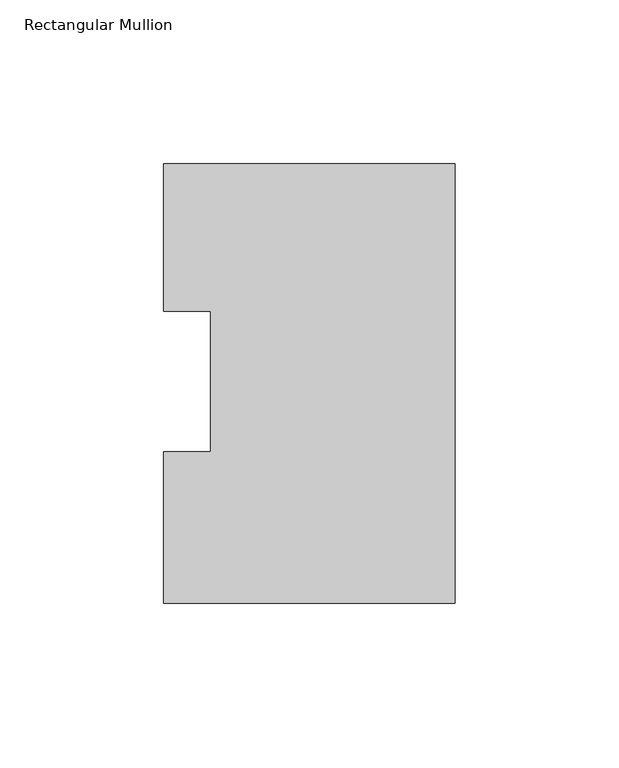
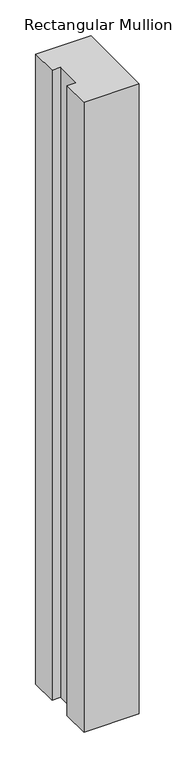
"""IFC4 building model written with IfcOpenShell, lengths in millimetres: member geometry, Rectangular Mullion."""

from ifc_helpers import new_model, si_unit, frame, origin, place, context, project, spatial, polyline, outline, extrude, source, transform, mapped, element, save


def rectangular_mullion_5689b7f4(model_context):
    return source(origin(), model_context, "Body", "SweptSolid", [
        extrude(outline(polyline([(0.0, 130.0368875), (0.0, -3.9735125), (-88.9, -3.9735125), (-88.9, 42.2798875), (-74.6252, 42.2798875), (-74.6252, 85.1296875), (-88.9, 85.1296875), (-88.9, 130.0368875), (0.0, 130.0368875)])), frame((0.0, 0.0, -1069.5781712), z_axis=(0.0, 0.0, 1.0), x_axis=(1.0, 0.0, 0.0)), (0.0, 0.0, 1.0), 1069.5781712),
    ])


if __name__ == "__main__":
    model = new_model("IFC4")
    model_context = context("Model", 3, world=origin())
    ifc_project = project(units=[si_unit("LENGTHUNIT", "METRE", prefix="MILLI")], contexts=[model_context])
    site = spatial("IfcSite", under=ifc_project)
    building = spatial("IfcBuilding", under=site)
    placement = place(None, origin())
    rectangular_mullion_shape = rectangular_mullion_5689b7f4(model_context)
    element("IfcMember", 1, ObjectType="Rectangular Mullion", at=placement, inside=building, context=model_context, shape_type="MappedRepresentation", body=[
        mapped(rectangular_mullion_shape, transform((0.0, 0.0, 0.0), x_axis=(1.0, 0.0, 0.0), y_axis=(0.0, 1.0, 0.0), z_axis=(0.0, 0.0, 1.0))),
    ])
    save(model, "model.ifc")
